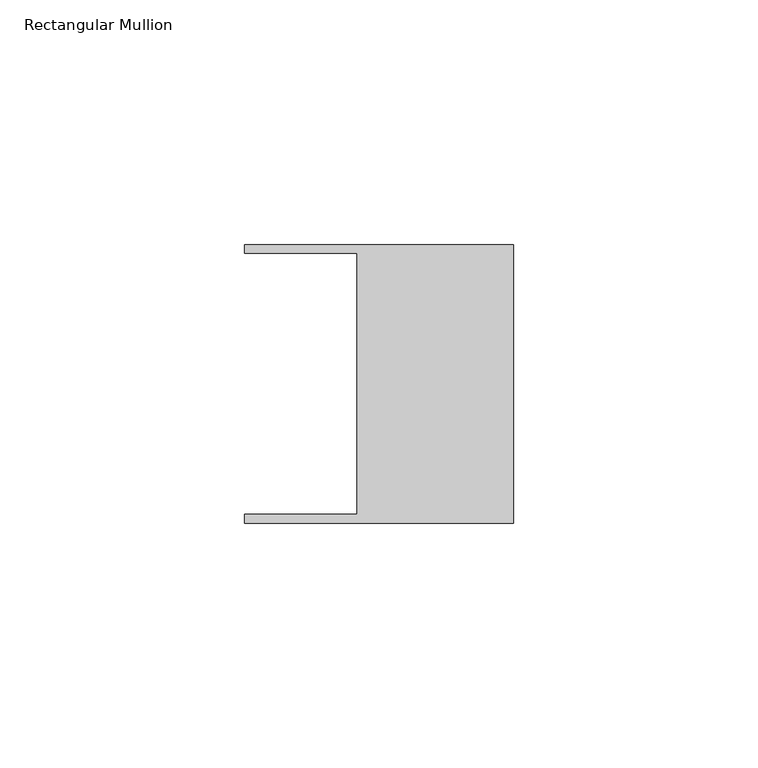
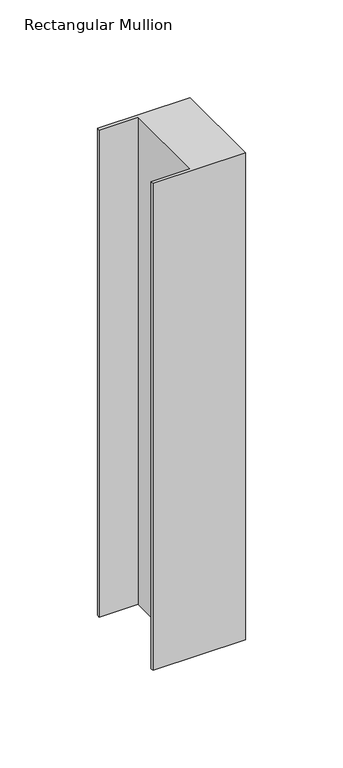
"""IFC4 building model written with IfcOpenShell, lengths in millimetres: member geometry, Rectangular Mullion."""

from ifc_helpers import new_model, si_unit, frame, origin, place, context, project, spatial, polyline, outline, extrude, source, transform, mapped, element, save


def rectangular_mullion_ddc10b03(model_context):
    return source(origin(), model_context, "Body", "SweptSolid", [
        extrude(outline(polyline([(-32.004, -26.67), (-32.004, 26.67), (-54.991, 26.67), (-54.991, 28.448), (0.0, 28.448), (0.0, -28.448), (-54.991, -28.448), (-54.991, -26.67), (-32.004, -26.67)])), frame((0.0, 0.0, -304.8), z_axis=(0.0, 0.0, 1.0), x_axis=(1.0, 0.0, 0.0)), (0.0, 0.0, 1.0), 304.8),
    ])


if __name__ == "__main__":
    model = new_model("IFC4")
    model_context = context("Model", 3, world=origin())
    ifc_project = project(units=[si_unit("LENGTHUNIT", "METRE", prefix="MILLI")], contexts=[model_context])
    site = spatial("IfcSite", under=ifc_project)
    building = spatial("IfcBuilding", under=site)
    placement = place(None, origin())
    rectangular_mullion_shape = rectangular_mullion_ddc10b03(model_context)
    element("IfcMember", 1, ObjectType="Rectangular Mullion", at=placement, inside=building, context=model_context, shape_type="MappedRepresentation", body=[
        mapped(rectangular_mullion_shape, transform((0.0, 0.0, 0.0), x_axis=(1.0, 0.0, 0.0), y_axis=(0.0, 1.0, 0.0), z_axis=(0.0, 0.0, 1.0))),
    ])
    save(model, "model.ifc")
